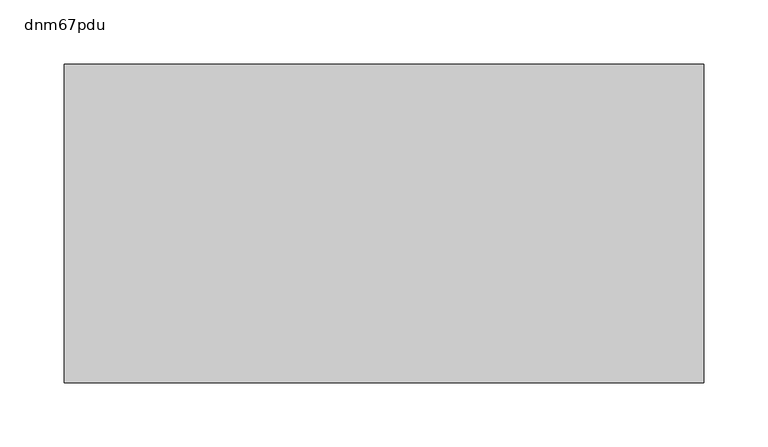
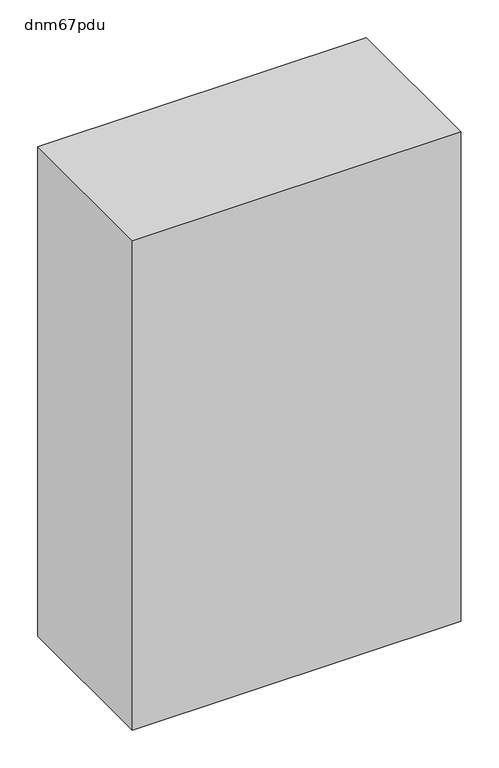
"""IFC4 building model written with IfcOpenShell, lengths in millimetres: proxy geometry, dnm67pdu."""

from ifc_helpers import new_model, si_unit, frame, origin, place, context, project, spatial, polyline, outline, extrude, source, transform, mapped, element, save


def dnm67pdu_4f79192c(model_context):
    return source(origin(), model_context, "Body", "SweptSolid", [
        extrude(outline(polyline([(249.936, 0.0), (249.936, -248.92), (-249.936, -248.92), (-249.936, 0.0), (249.936, 0.0)])), frame((0.0, 0.0, 1130.3), z_axis=(0.0, 0.0, 1.0), x_axis=(1.0, 0.0, 0.0)), (0.0, 0.0, 1.0), 787.4),
    ])


if __name__ == "__main__":
    model = new_model("IFC4")
    model_context = context("Model", 3, world=origin())
    ifc_project = project(units=[si_unit("LENGTHUNIT", "METRE", prefix="MILLI")], contexts=[model_context])
    site = spatial("IfcSite", under=ifc_project)
    building = spatial("IfcBuilding", under=site)
    placement = place(None, origin())
    dnm67pdu_shape = dnm67pdu_4f79192c(model_context)
    element("IfcBuildingElementProxy", 1, Name="dnm67pdu", ObjectType="dnm67pdu", at=placement, inside=building, context=model_context, shape_type="MappedRepresentation", body=[
        mapped(dnm67pdu_shape, transform((0.0, 0.0, 0.0), x_axis=(1.0, 0.0, 0.0), y_axis=(0.0, 1.0, 0.0), z_axis=(0.0, 0.0, 1.0))),
    ])
    save(model, "model.ifc")
